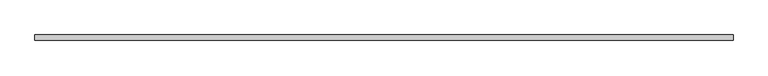
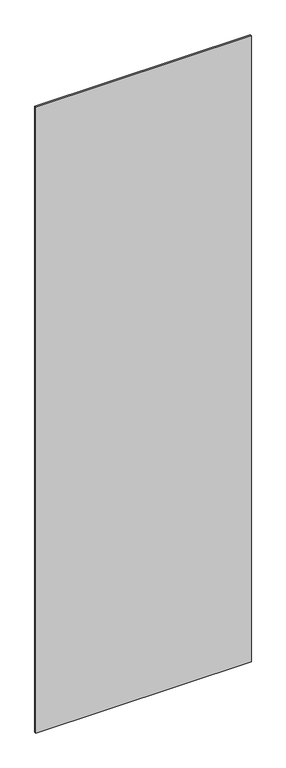
"""IFC4 building model written with IfcOpenShell, lengths in millimetres: plate geometry."""

from ifc_helpers import new_model, si_unit, origin, origin_with_axes, place, context, project, spatial, polyline, outline, extrude, source, transform, mapped, element, save


def plate_b8bd1475(model_context):
    return source(origin(), model_context, "Body", "SweptSolid", [
        extrude(outline(polyline([(628.942886, -5.0), (-628.942886, -5.0), (-628.942886, 5.0), (628.942886, 5.0), (628.942886, -5.0)])), origin_with_axes(), (0.0, 0.0, 1.0), 3860.0),
    ])


if __name__ == "__main__":
    model = new_model("IFC4")
    model_context = context("Model", 3, world=origin())
    ifc_project = project(units=[si_unit("LENGTHUNIT", "METRE", prefix="MILLI")], contexts=[model_context])
    site = spatial("IfcSite", under=ifc_project)
    building = spatial("IfcBuilding", under=site)
    placement = place(None, origin())
    plate_shape = plate_b8bd1475(model_context)
    element("IfcPlate", 1, at=placement, inside=building, context=model_context, shape_type="MappedRepresentation", body=[
        mapped(plate_shape, transform((0.0, 0.0, 0.0), x_axis=(1.0, 0.0, 0.0), y_axis=(0.0, 1.0, 0.0), z_axis=(0.0, 0.0, 1.0))),
    ])
    save(model, "model.ifc")
